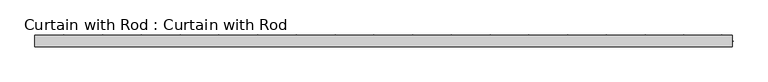
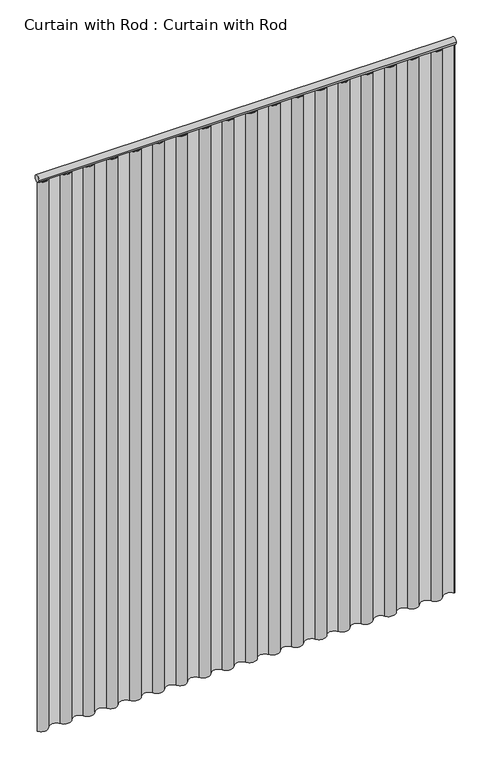
"""IFC4 building model written with IfcOpenShell, lengths in millimetres: proxy geometry, Curtain with Rod : Curtain with Rod."""

from ifc_helpers import new_model, si_unit, point, frame, frame_2d, origin, origin_with_axes, place, context, project, spatial, polyline, circle_curve, trimmed, segment, composite_curve, outline, extrude, source, transform, mapped, element, save


def curtain_with_rod_curtain_with_rod_01ae1b82(model_context):
    return source(origin(), model_context, "Body", "SweptSolid", [
        extrude(outline(composite_curve([segment(trimmed(circle_curve(frame_2d((0.0, 2171.7)), 12.7), [point((12.7, 2171.7))], [point((-12.7, 2171.7))], False, "CARTESIAN"), True, "CONTINUOUS"), segment(trimmed(circle_curve(frame_2d((0.0, 2171.7)), 12.7), [point((-12.7, 2171.7))], [point((12.7, 2171.7))], False, "CARTESIAN"), True, "CONTINUOUS")], self_intersect=False)), frame((-775.3719753, 0.0, 0.0), z_axis=(1.0, 0.0, 0.0), x_axis=(0.0, 1.0, 0.0)), (0.0, 0.0, 1.0), 1550.7439506),
        extrude(outline(composite_curve([segment(trimmed(circle_curve(frame_2d((-753.8338649, 12.7791518)), 25.0438999), [point((-732.2957544, 0.0))], [point((-775.3719753, 0.0))], False, "CARTESIAN"), True, "CONTINUOUS"), segment(polyline([(-775.3719753, 0.0), (-773.5055738, 0.0)]), True, "CONTINUOUS"), segment(trimmed(circle_curve(frame_2d((-753.8338649, 12.7791518)), 23.4581085), [point((-773.5055738, 0.0))], [point((-733.6579049, 0.8119678))], True, "CARTESIAN"), True, "CONTINUOUS"), segment(trimmed(circle_curve(frame_2d((-710.757644, -12.8680779)), 26.6751869), [point((-733.6579049, 0.8119678))], [point((-687.8582009, 0.8133367))], False, "CARTESIAN"), True, "CONTINUOUS"), segment(trimmed(circle_curve(frame_2d((-667.6814232, 12.8680779)), 23.5035986), [point((-687.8582009, 0.8133367))], [point((-647.5046454, 0.8133367))], True, "CARTESIAN"), True, "CONTINUOUS"), segment(trimmed(circle_curve(frame_2d((-624.6052023, -12.8680779)), 26.6751869), [point((-647.5046454, 0.8133367))], [point((-601.7057592, 0.8133367))], False, "CARTESIAN"), True, "CONTINUOUS"), segment(trimmed(circle_curve(frame_2d((-581.5289815, 12.8680779)), 23.5035986), [point((-601.7057592, 0.8133367))], [point((-561.3522037, 0.8133367))], True, "CARTESIAN"), True, "CONTINUOUS"), segment(trimmed(circle_curve(frame_2d((-538.4527606, -12.8680779)), 26.6751869), [point((-561.3522037, 0.8133367))], [point((-515.5533175, 0.8133367))], False, "CARTESIAN"), True, "CONTINUOUS"), segment(trimmed(circle_curve(frame_2d((-495.3765398, 12.8680779)), 23.5035986), [point((-515.5533175, 0.8133367))], [point((-475.199762, 0.8133367))], True, "CARTESIAN"), True, "CONTINUOUS"), segment(trimmed(circle_curve(frame_2d((-452.3003189, -12.8680779)), 26.6751869), [point((-475.199762, 0.8133367))], [point((-429.4008758, 0.8133367))], False, "CARTESIAN"), True, "CONTINUOUS"), segment(trimmed(circle_curve(frame_2d((-409.2240981, 12.8680779)), 23.5035986), [point((-429.4008758, 0.8133367))], [point((-389.0473203, 0.8133367))], True, "CARTESIAN"), True, "CONTINUOUS"), segment(trimmed(circle_curve(frame_2d((-366.1478772, -12.8680779)), 26.6751869), [point((-389.0473203, 0.8133367))], [point((-343.2484341, 0.8133367))], False, "CARTESIAN"), True, "CONTINUOUS"), segment(trimmed(circle_curve(frame_2d((-323.0716564, 12.8680779)), 23.5035986), [point((-343.2484341, 0.8133367))], [point((-302.8948786, 0.8133367))], True, "CARTESIAN"), True, "CONTINUOUS"), segment(trimmed(circle_curve(frame_2d((-279.9954355, -12.8680779)), 26.6751869), [point((-302.8948786, 0.8133367))], [point((-257.0959924, 0.8133367))], False, "CARTESIAN"), True, "CONTINUOUS"), segment(trimmed(circle_curve(frame_2d((-236.9192147, 12.8680779)), 23.5035986), [point((-257.0959924, 0.8133367))], [point((-216.7424369, 0.8133367))], True, "CARTESIAN"), True, "CONTINUOUS"), segment(trimmed(circle_curve(frame_2d((-193.8429938, -12.8680779)), 26.6751869), [point((-216.7424369, 0.8133367))], [point((-170.9435507, 0.8133367))], False, "CARTESIAN"), True, "CONTINUOUS"), segment(trimmed(circle_curve(frame_2d((-150.766773, 12.8680779)), 23.5035986), [point((-170.9435507, 0.8133367))], [point((-130.5899952, 0.8133367))], True, "CARTESIAN"), True, "CONTINUOUS"), segment(trimmed(circle_curve(frame_2d((-107.6905521, -12.8680779)), 26.6751869), [point((-130.5899952, 0.8133367))], [point((-84.791109, 0.8133367))], False, "CARTESIAN"), True, "CONTINUOUS"), segment(trimmed(circle_curve(frame_2d((-64.6143313, 12.8680779)), 23.5035986), [point((-84.791109, 0.8133367))], [point((-44.4375535, 0.8133367))], True, "CARTESIAN"), True, "CONTINUOUS"), segment(trimmed(circle_curve(frame_2d((-21.5381104, -12.8680779)), 26.6751869), [point((-44.4375535, 0.8133367))], [point((1.3613327, 0.8133367))], False, "CARTESIAN"), True, "CONTINUOUS"), segment(trimmed(circle_curve(frame_2d((21.5381104, 12.8680779)), 23.5035986), [point((1.3613327, 0.8133367))], [point((41.7148882, 0.8133367))], True, "CARTESIAN"), True, "CONTINUOUS"), segment(trimmed(circle_curve(frame_2d((64.6143313, -12.8680779)), 26.6751869), [point((41.7148882, 0.8133367))], [point((87.5137744, 0.8133367))], False, "CARTESIAN"), True, "CONTINUOUS"), segment(trimmed(circle_curve(frame_2d((107.6905521, 12.8680779)), 23.5035986), [point((87.5137744, 0.8133367))], [point((127.8673299, 0.8133367))], True, "CARTESIAN"), True, "CONTINUOUS"), segment(trimmed(circle_curve(frame_2d((150.766773, -12.8680779)), 26.6751869), [point((127.8673299, 0.8133367))], [point((173.6662161, 0.8133367))], False, "CARTESIAN"), True, "CONTINUOUS"), segment(trimmed(circle_curve(frame_2d((193.8429938, 12.8680779)), 23.5035986), [point((173.6662161, 0.8133367))], [point((214.0197716, 0.8133367))], True, "CARTESIAN"), True, "CONTINUOUS"), segment(trimmed(circle_curve(frame_2d((236.9192147, -12.8680779)), 26.6751869), [point((214.0197716, 0.8133367))], [point((259.8186578, 0.8133367))], False, "CARTESIAN"), True, "CONTINUOUS"), segment(trimmed(circle_curve(frame_2d((279.9954355, 12.8680779)), 23.5035986), [point((259.8186578, 0.8133367))], [point((300.1722133, 0.8133367))], True, "CARTESIAN"), True, "CONTINUOUS"), segment(trimmed(circle_curve(frame_2d((323.0716564, -12.8680779)), 26.6751869), [point((300.1722133, 0.8133367))], [point((345.9710995, 0.8133367))], False, "CARTESIAN"), True, "CONTINUOUS"), segment(trimmed(circle_curve(frame_2d((366.1478772, 12.8680779)), 23.5035986), [point((345.9710995, 0.8133367))], [point((386.324655, 0.8133367))], True, "CARTESIAN"), True, "CONTINUOUS"), segment(trimmed(circle_curve(frame_2d((409.2240981, -12.8680779)), 26.6751869), [point((386.324655, 0.8133367))], [point((432.1235412, 0.8133367))], False, "CARTESIAN"), True, "CONTINUOUS"), segment(trimmed(circle_curve(frame_2d((452.3003189, 12.8680779)), 23.5035986), [point((432.1235412, 0.8133367))], [point((472.4770967, 0.8133367))], True, "CARTESIAN"), True, "CONTINUOUS"), segment(trimmed(circle_curve(frame_2d((495.3765398, -12.8680779)), 26.6751869), [point((472.4770967, 0.8133367))], [point((518.2759829, 0.8133367))], False, "CARTESIAN"), True, "CONTINUOUS"), segment(trimmed(circle_curve(frame_2d((538.4527606, 12.8680779)), 23.5035986), [point((518.2759829, 0.8133367))], [point((558.6295384, 0.8133367))], True, "CARTESIAN"), True, "CONTINUOUS"), segment(trimmed(circle_curve(frame_2d((581.5289815, -12.8680779)), 26.6751869), [point((558.6295384, 0.8133367))], [point((604.4284246, 0.8133367))], False, "CARTESIAN"), True, "CONTINUOUS"), segment(trimmed(circle_curve(frame_2d((624.6052023, 12.8680779)), 23.5035986), [point((604.4284246, 0.8133367))], [point((644.7819801, 0.8133367))], True, "CARTESIAN"), True, "CONTINUOUS"), segment(trimmed(circle_curve(frame_2d((667.6814232, -12.8680779)), 26.6751869), [point((644.7819801, 0.8133367))], [point((690.5831077, 0.8095843))], False, "CARTESIAN"), True, "CONTINUOUS"), segment(trimmed(circle_curve(frame_2d((710.757644, 12.8585012)), 23.4986875), [point((690.5831077, 0.8095843))], [point((730.9140774, 0.7793247))], True, "CARTESIAN"), True, "CONTINUOUS"), segment(trimmed(circle_curve(frame_2d((753.8338649, -12.9558512)), 26.7202491), [point((730.9140774, 0.7793247))], [point((777.2030247, 0.0))], False, "CARTESIAN"), True, "CONTINUOUS"), segment(polyline([(777.2030247, 0.0), (775.3719753, 0.0)]), True, "CONTINUOUS"), segment(trimmed(circle_curve(frame_2d((753.8338649, -12.9558512)), 25.1345237), [point((775.3719753, 0.0))], [point((732.2957544, 0.0))], True, "CARTESIAN"), True, "CONTINUOUS"), segment(trimmed(circle_curve(frame_2d((710.757644, 12.8585012)), 25.0844823), [point((732.2957544, 0.0))], [point((689.2195336, 0.0))], False, "CARTESIAN"), True, "CONTINUOUS"), segment(trimmed(circle_curve(frame_2d((667.6814232, -12.8680779)), 25.0893928), [point((689.2195336, 0.0))], [point((646.1433127, 0.0))], True, "CARTESIAN"), True, "CONTINUOUS"), segment(trimmed(circle_curve(frame_2d((624.6052023, 12.8680779)), 25.0893928), [point((646.1433127, 0.0))], [point((603.0670919, 0.0))], False, "CARTESIAN"), True, "CONTINUOUS"), segment(trimmed(circle_curve(frame_2d((581.5289815, -12.8680779)), 25.0893928), [point((603.0670919, 0.0))], [point((559.990871, 0.0))], True, "CARTESIAN"), True, "CONTINUOUS"), segment(trimmed(circle_curve(frame_2d((538.4527606, 12.8680779)), 25.0893928), [point((559.990871, 0.0))], [point((516.9146502, 0.0))], False, "CARTESIAN"), True, "CONTINUOUS"), segment(trimmed(circle_curve(frame_2d((495.3765398, -12.8680779)), 25.0893928), [point((516.9146502, 0.0))], [point((473.8384293, 0.0))], True, "CARTESIAN"), True, "CONTINUOUS"), segment(trimmed(circle_curve(frame_2d((452.3003189, 12.8680779)), 25.0893928), [point((473.8384293, 0.0))], [point((430.7622085, 0.0))], False, "CARTESIAN"), True, "CONTINUOUS"), segment(trimmed(circle_curve(frame_2d((409.2240981, -12.8680779)), 25.0893928), [point((430.7622085, 0.0))], [point((387.6859876, 0.0))], True, "CARTESIAN"), True, "CONTINUOUS"), segment(trimmed(circle_curve(frame_2d((366.1478772, 12.8680779)), 25.0893928), [point((387.6859876, 0.0))], [point((344.6097668, 0.0))], False, "CARTESIAN"), True, "CONTINUOUS"), segment(trimmed(circle_curve(frame_2d((323.0716564, -12.8680779)), 25.0893928), [point((344.6097668, 0.0))], [point((301.5335459, 0.0))], True, "CARTESIAN"), True, "CONTINUOUS"), segment(trimmed(circle_curve(frame_2d((279.9954355, 12.8680779)), 25.0893928), [point((301.5335459, 0.0))], [point((258.4573251, 0.0))], False, "CARTESIAN"), True, "CONTINUOUS"), segment(trimmed(circle_curve(frame_2d((236.9192147, -12.8680779)), 25.0893928), [point((258.4573251, 0.0))], [point((215.3811042, 0.0))], True, "CARTESIAN"), True, "CONTINUOUS"), segment(trimmed(circle_curve(frame_2d((193.8429938, 12.8680779)), 25.0893928), [point((215.3811042, 0.0))], [point((172.3048834, 0.0))], False, "CARTESIAN"), True, "CONTINUOUS"), segment(trimmed(circle_curve(frame_2d((150.766773, -12.8680779)), 25.0893928), [point((172.3048834, 0.0))], [point((129.2286625, 0.0))], True, "CARTESIAN"), True, "CONTINUOUS"), segment(trimmed(circle_curve(frame_2d((107.6905521, 12.8680779)), 25.0893928), [point((129.2286625, 0.0))], [point((86.1524417, 0.0))], False, "CARTESIAN"), True, "CONTINUOUS"), segment(trimmed(circle_curve(frame_2d((64.6143313, -12.8680779)), 25.0893928), [point((86.1524417, 0.0))], [point((43.0762208, 0.0))], True, "CARTESIAN"), True, "CONTINUOUS"), segment(trimmed(circle_curve(frame_2d((21.5381104, 12.8680779)), 25.0893928), [point((43.0762208, 0.0))], [point((0.0, 0.0))], False, "CARTESIAN"), True, "CONTINUOUS"), segment(trimmed(circle_curve(frame_2d((-21.5381104, -12.8680779)), 25.0893928), [point((0.0, 0.0))], [point((-43.0762208, 0.0))], True, "CARTESIAN"), True, "CONTINUOUS"), segment(trimmed(circle_curve(frame_2d((-64.6143313, 12.8680779)), 25.0893928), [point((-43.0762208, 0.0))], [point((-86.1524417, 0.0))], False, "CARTESIAN"), True, "CONTINUOUS"), segment(trimmed(circle_curve(frame_2d((-107.6905521, -12.8680779)), 25.0893928), [point((-86.1524417, 0.0))], [point((-129.2286625, 0.0))], True, "CARTESIAN"), True, "CONTINUOUS"), segment(trimmed(circle_curve(frame_2d((-150.766773, 12.8680779)), 25.0893928), [point((-129.2286625, 0.0))], [point((-172.3048834, 0.0))], False, "CARTESIAN"), True, "CONTINUOUS"), segment(trimmed(circle_curve(frame_2d((-193.8429938, -12.8680779)), 25.0893928), [point((-172.3048834, 0.0))], [point((-215.3811042, 0.0))], True, "CARTESIAN"), True, "CONTINUOUS"), segment(trimmed(circle_curve(frame_2d((-236.9192147, 12.8680779)), 25.0893928), [point((-215.3811042, 0.0))], [point((-258.4573251, 0.0))], False, "CARTESIAN"), True, "CONTINUOUS"), segment(trimmed(circle_curve(frame_2d((-279.9954355, -12.8680779)), 25.0893928), [point((-258.4573251, 0.0))], [point((-301.5335459, 0.0))], True, "CARTESIAN"), True, "CONTINUOUS"), segment(trimmed(circle_curve(frame_2d((-323.0716564, 12.8680779)), 25.0893928), [point((-301.5335459, 0.0))], [point((-344.6097668, 0.0))], False, "CARTESIAN"), True, "CONTINUOUS"), segment(trimmed(circle_curve(frame_2d((-366.1478772, -12.8680779)), 25.0893928), [point((-344.6097668, 0.0))], [point((-387.6859876, 0.0))], True, "CARTESIAN"), True, "CONTINUOUS"), segment(trimmed(circle_curve(frame_2d((-409.2240981, 12.8680779)), 25.0893928), [point((-387.6859876, 0.0))], [point((-430.7622085, 0.0))], False, "CARTESIAN"), True, "CONTINUOUS"), segment(trimmed(circle_curve(frame_2d((-452.3003189, -12.8680779)), 25.0893928), [point((-430.7622085, 0.0))], [point((-473.8384293, 0.0))], True, "CARTESIAN"), True, "CONTINUOUS"), segment(trimmed(circle_curve(frame_2d((-495.3765398, 12.8680779)), 25.0893928), [point((-473.8384293, 0.0))], [point((-516.9146502, 0.0))], False, "CARTESIAN"), True, "CONTINUOUS"), segment(trimmed(circle_curve(frame_2d((-538.4527606, -12.8680779)), 25.0893928), [point((-516.9146502, 0.0))], [point((-559.990871, 0.0))], True, "CARTESIAN"), True, "CONTINUOUS"), segment(trimmed(circle_curve(frame_2d((-581.5289815, 12.8680779)), 25.0893928), [point((-559.990871, 0.0))], [point((-603.0670919, 0.0))], False, "CARTESIAN"), True, "CONTINUOUS"), segment(trimmed(circle_curve(frame_2d((-624.6052023, -12.8680779)), 25.0893928), [point((-603.0670919, 0.0))], [point((-646.1433127, 0.0))], True, "CARTESIAN"), True, "CONTINUOUS"), segment(trimmed(circle_curve(frame_2d((-667.6814232, 12.8680779)), 25.0893928), [point((-646.1433127, 0.0))], [point((-689.2195336, 0.0))], False, "CARTESIAN"), True, "CONTINUOUS"), segment(trimmed(circle_curve(frame_2d((-710.757644, -12.8680779)), 25.0893928), [point((-689.2195336, 0.0))], [point((-732.2957544, 0.0))], True, "CARTESIAN"), True, "CONTINUOUS")], self_intersect=False)), origin_with_axes(), (0.0, 0.0, 1.0), 2159.0),
    ])


if __name__ == "__main__":
    model = new_model("IFC4")
    model_context = context("Model", 3, world=origin())
    ifc_project = project(units=[si_unit("LENGTHUNIT", "METRE", prefix="MILLI")], contexts=[model_context])
    site = spatial("IfcSite", under=ifc_project)
    building = spatial("IfcBuilding", under=site)
    placement = place(None, origin())
    curtain_with_rod_curtain_with_rod_shape = curtain_with_rod_curtain_with_rod_01ae1b82(model_context)
    element("IfcBuildingElementProxy", 1, Name="Curtain with Rod : Curtain with Rod", ObjectType="Curtain with Rod : Curtain with Rod", at=placement, inside=building, context=model_context, shape_type="MappedRepresentation", body=[
        mapped(curtain_with_rod_curtain_with_rod_shape, transform((0.0, 0.0, 0.0), x_axis=(1.0, 0.0, 0.0), y_axis=(0.0, 1.0, 0.0), z_axis=(0.0, 0.0, 1.0))),
    ])
    save(model, "model.ifc")
